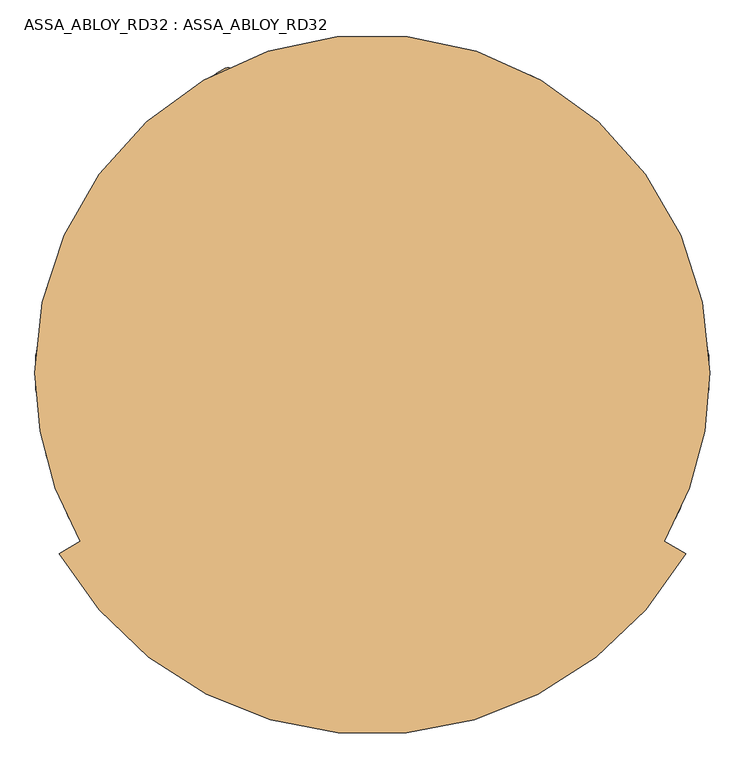
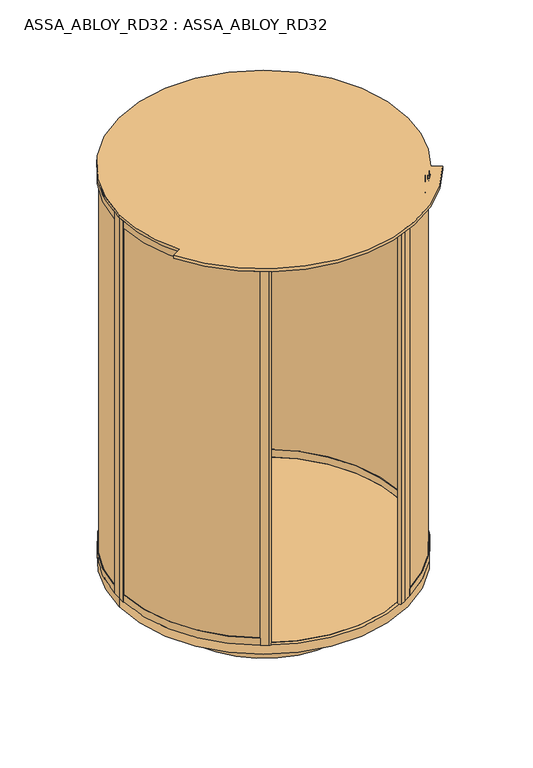
"""IFC4 building model written with IfcOpenShell, lengths in millimetres: door geometry, ASSA_ABLOY_RD32 : ASSA_ABLOY_RD32."""

from ifc_helpers import new_model, si_unit, point, frame, frame_2d, origin, origin_with_axes, place, context, project, spatial, polyline, circle_curve, trimmed, segment, composite_curve, outline, extrude, source, transform, mapped, element, save
from ifc_brep_helpers import plane_surface, cylinder_surface, revolved_surface, advanced_brep


def assa_abloy_rd32_assa_abloy_rd32_fcdae8b2(model_context):
    return source(origin(), model_context, "Body", "SolidModel", [
        extrude(outline(composite_curve([segment(trimmed(circle_curve(frame_2d((125.0, 0.0)), 989.0), [point((619.5, 856.4991243))], [point((1113.4436781, 33.1676829))], False, "CARTESIAN"), True, "CONTINUOUS"), segment(polyline([(1113.4436781, 33.1676829), (1103.4493032, 32.8323171)]), True, "CONTINUOUS"), segment(trimmed(circle_curve(frame_2d((125.0, 0.0)), 979.0), [point((1103.4493032, 32.8323171))], [point((614.5, 847.8388703))], True, "CARTESIAN"), True, "CONTINUOUS"), segment(polyline([(614.5, 847.8388703), (619.5, 856.4991243)]), True, "CONTINUOUS")], self_intersect=False)), frame((0.0, 0.0, 33.0), z_axis=(0.0, 0.0, 1.0), x_axis=(1.0, 0.0, 0.0)), (0.0, 0.0, 1.0), 2715.0),
        extrude(outline(composite_curve([segment(trimmed(circle_curve(frame_2d((125.0, 0.0)), 989.0), [point((1113.4436781, -33.1676829))], [point((619.5, -856.4991243))], False, "CARTESIAN"), True, "CONTINUOUS"), segment(polyline([(619.5, -856.4991243), (614.5, -847.8388703)]), True, "CONTINUOUS"), segment(trimmed(circle_curve(frame_2d((125.0, 0.0)), 979.0), [point((614.5, -847.8388703))], [point((1103.4493032, -32.8323171))], True, "CARTESIAN"), True, "CONTINUOUS"), segment(polyline([(1103.4493032, -32.8323171), (1113.4436781, -33.1676829)]), True, "CONTINUOUS")], self_intersect=False)), frame((0.0, 0.0, 33.0), z_axis=(0.0, 0.0, 1.0), x_axis=(1.0, 0.0, 0.0)), (0.0, 0.0, 1.0), 2715.0),
        extrude(outline(composite_curve([segment(polyline([(621.9998179, -860.828936), (639.320326, -850.828936), (640.8201439, -853.4266969), (586.2605435, -884.9266969), (586.760545, -885.7927249), (560.7781998, -900.7936389)]), True, "CONTINUOUS"), segment(trimmed(circle_curve(frame_2d((553.7783803, -888.669596)), 13.9996389), [point((560.7781998, -900.7936389))], [point((546.7785609, -876.545553))], False, "CARTESIAN"), True, "CONTINUOUS"), segment(polyline([(546.7785609, -876.545553), (572.7609061, -861.544639), (573.2609076, -862.4106671), (627.8205081, -830.9106671), (629.320326, -833.5084279), (611.9998179, -843.5084279), (621.9998179, -860.828936)]), True, "CONTINUOUS")], self_intersect=False)), origin_with_axes(), (0.0, 0.0, 1.0), 2778.0),
        extrude(outline(composite_curve([segment(polyline([(621.9998179, 860.828936), (611.9998179, 843.5084279), (629.320326, 833.5084279), (627.8205081, 830.9106671), (582.7868716, 856.9108492)]), True, "CONTINUOUS"), segment(trimmed(circle_curve(frame_2d((589.2866895, 868.1688641)), 12.9996359), [point((582.7868716, 856.9108492))], [point((595.7865074, 879.426879))], False, "CARTESIAN"), True, "CONTINUOUS"), segment(polyline([(595.7865074, 879.426879), (640.8201439, 853.4266969), (639.320326, 850.828936), (621.9998179, 860.828936)]), True, "CONTINUOUS")], self_intersect=False)), origin_with_axes(), (0.0, 0.0, 1.0), 2778.0),
        advanced_brep(
        [(627.2711247, 831.0022366, 0.0), (627.2711247, 831.0022366, 53.0), (628.8229408, 833.5696998, 53.0), (628.8229408, 833.5696998, 33.0), (639.168381, 850.6861207, 33.0), (639.168381, 850.6861207, 53.0), (640.7201971, 853.2535838, 53.0), (640.7201971, 853.2535838, 0.0), (1094.6270403, 51.6178536, 0.0), (1120.5902772, 53.0, 0.0), (1120.5902772, 53.0, 53.0), (1117.5945191, 52.8405216, 53.0), (1117.5945191, 52.8405216, 33.0), (1097.6227984, 51.777332, 33.0), (1097.6227984, 51.777332, 53.0), (1094.6270403, 51.6178536, 53.0)],
        [
            (0, 1),
            (1, 2),
            (2, 3),
            (3, 4),
            (4, 5),
            (5, 6),
            (6, 7),
            (7, 0),
            (8, 9),
            (9, 10),
            (10, 11),
            (11, 12),
            (12, 13),
            (13, 14),
            (14, 15),
            (15, 8),
            (15, 1, circle_curve(frame((125.0, 0.0, 53.0), z_axis=(0.0, 0.0, 1.0), x_axis=(0.5172720131197738, 0.8558210469736162, 0.0)), 971.0)),
            (0, 8, circle_curve(frame((125.0, 0.0, 0.0), z_axis=(0.0, 0.0, -1.0), x_axis=(0.5172720131197738, 0.8558210469736162, 0.0)), 971.0)),
            (14, 2, circle_curve(frame((125.0, 0.0, 53.0), z_axis=(0.0, 0.0, 1.0), x_axis=(0.5172720131197738, 0.8558210469736162, 0.0)), 974.0)),
            (13, 3, circle_curve(frame((125.0, 0.0, 33.0), z_axis=(0.0, 0.0, 1.0), x_axis=(0.5172720131197738, 0.8558210469736162, 0.0)), 974.0)),
            (12, 4, circle_curve(frame((125.0, 0.0, 33.0), z_axis=(0.0, 0.0, 1.0), x_axis=(0.5172720131197738, 0.8558210469736162, 0.0)), 994.0)),
            (11, 5, circle_curve(frame((125.0, 0.0, 53.0), z_axis=(0.0, 0.0, 1.0), x_axis=(0.5172720131197738, 0.8558210469736162, 0.0)), 994.0)),
            (10, 6, circle_curve(frame((125.0, 0.0, 53.0), z_axis=(0.0, 0.0, 1.0), x_axis=(0.5172720131197738, 0.8558210469736162, 0.0)), 997.0)),
            (9, 7, circle_curve(frame((125.0, 0.0, 0.0), z_axis=(0.0, 0.0, 1.0), x_axis=(0.5172720131197738, 0.8558210469736162, 0.0)), 997.0)),
        ],
        [
            plane_surface(frame((640.7201971, 853.2535838, 0.0), z_axis=(-0.8558210469736162, 0.5172720131197739, 0.0), x_axis=(0.0, 0.0, 1.0))),
            plane_surface(frame((1120.5902772, 53.0, 0.0), z_axis=(0.05315947843547908, -0.9985860352781166, 0.0), x_axis=(0.0, 0.0, 1.0))),
            revolved_surface(polyline([(627.2711247393004, 831.0022366113812, 0.0), (627.2711247393004, 831.0022366113812, 53.0)]), (125.0, 0.0, 0.0), (0.0, 0.0, -1.0)),
            plane_surface(frame((125.0, 0.0, 53.0), z_axis=(0.0, 0.0, 1.0000000000000002), x_axis=(0.5172720131197739, 0.8558210469736163, 0.0))),
            cylinder_surface(frame((125.0, 0.0, 0.0), z_axis=(0.0, 0.0, -1.0), x_axis=(0.5172720131197738, 0.8558210469736162, 0.0)), 974.0),
            plane_surface(frame((125.0, 0.0, 33.0), z_axis=(0.0, 0.0, 1.0000000000000002), x_axis=(0.5172720131197739, 0.8558210469736163, 0.0))),
            revolved_surface(polyline([(639.1683810410551, 850.6861206917745, 33.0), (639.1683810410551, 850.6861206917745, 53.0)]), (125.0, 0.0, 0.0), (0.0, 0.0, -1.0)),
            cylinder_surface(frame((125.0, 0.0, 0.0), z_axis=(0.0, 0.0, -1.0), x_axis=(0.5172720131197738, 0.8558210469736162, 0.0)), 997.0),
            plane_surface(frame((125.0, 0.0, 0.0), z_axis=(0.0, 0.0, -1.0000000000000002), x_axis=(0.5172720131197739, 0.8558210469736163, 0.0))),
        ],
        [
            (0, [[1, 2, 3, 4, 5, 6, 7, 8]]),
            (1, [[9, 10, 11, 12, 13, 14, 15, 16]]),
            (2, [[17, -1, 18, -16]]),
            (3, [[19, -2, -17, -15]]),
            (4, [[20, -3, -19, -14]]),
            (5, [[21, -4, -20, -13]]),
            (6, [[22, -5, -21, -12]]),
            (3, [[23, -6, -22, -11]]),
            (7, [[24, -7, -23, -10]]),
            (8, [[-18, -8, -24, -9]]),
        ],
    ),
        advanced_brep(
        [(1094.6270403, 51.6178536, 2778.0), (1094.6270403, 51.6178536, 2728.0), (1097.6227984, 51.777332, 2728.0), (1097.6227984, 51.777332, 2748.0), (1117.5945191, 52.8405216, 2748.0), (1117.5945191, 52.8405216, 2728.0), (1120.5902772, 53.0, 2728.0), (1120.5902772, 53.0, 2778.0), (627.2711247, 831.0022366, 2778.0), (640.7201971, 853.2535838, 2778.0), (640.7201971, 853.2535838, 2728.0), (639.168381, 850.6861207, 2728.0), (639.168381, 850.6861207, 2748.0), (628.8229408, 833.5696997, 2748.0), (628.8229408, 833.5696997, 2728.0), (627.2711247, 831.0022366, 2728.0)],
        [
            (0, 1),
            (1, 2),
            (2, 3),
            (3, 4),
            (4, 5),
            (5, 6),
            (6, 7),
            (7, 0),
            (8, 9),
            (9, 10),
            (10, 11),
            (11, 12),
            (12, 13),
            (13, 14),
            (14, 15),
            (15, 8),
            (15, 1, circle_curve(frame((125.0, 0.0, 2728.0), z_axis=(0.0, 0.0, -1.0), x_axis=(0.9985860352779897, 0.05315947843786122, 0.0)), 971.0)),
            (0, 8, circle_curve(frame((125.0, 0.0, 2778.0), z_axis=(0.0, 0.0, 1.0), x_axis=(0.9985860352779897, 0.05315947843786122, 0.0)), 971.0)),
            (14, 2, circle_curve(frame((125.0, 0.0, 2728.0), z_axis=(0.0, 0.0, -1.0), x_axis=(0.9985860352779897, 0.05315947843786122, 0.0)), 974.0)),
            (9, 7, circle_curve(frame((125.0, 0.0, 2778.0), z_axis=(0.0, 0.0, -1.0), x_axis=(0.9985860352779897, 0.05315947843786122, 0.0)), 997.0)),
            (6, 10, circle_curve(frame((125.0, 0.0, 2728.0), z_axis=(0.0, 0.0, 1.0), x_axis=(0.9985860352779897, 0.05315947843786122, 0.0)), 997.0)),
            (13, 3, circle_curve(frame((125.0, 0.0, 2748.0), z_axis=(0.0, 0.0, -1.0), x_axis=(0.9985860352779897, 0.05315947843786122, 0.0)), 974.0)),
            (12, 4, circle_curve(frame((125.0, 0.0, 2748.0), z_axis=(0.0, 0.0, -1.0), x_axis=(0.9985860352779897, 0.05315947843786122, 0.0)), 994.0)),
            (11, 5, circle_curve(frame((125.0, 0.0, 2728.0), z_axis=(0.0, 0.0, -1.0), x_axis=(0.9985860352779897, 0.05315947843786122, 0.0)), 994.0)),
        ],
        [
            plane_surface(frame((1120.5902772, 53.0, 2778.0), z_axis=(0.053159478437861236, -0.9985860352779897, 0.0), x_axis=(0.0, 0.0, 1.0))),
            plane_surface(frame((640.7201971, 853.2535838, 2778.0), z_axis=(-0.855821046973346, 0.5172720131202209, 0.0), x_axis=(0.0, 0.0, 1.0))),
            revolved_surface(polyline([(1094.627040254928, 51.617853563163244, 2778.0), (1094.627040254928, 51.617853563163244, 2728.0)]), (125.0, 0.0, 2778.0), (0.0, 0.0, 1.0)),
            plane_surface(frame((125.0, 0.0, 2728.0), z_axis=(0.0, 0.0, -1.0), x_axis=(0.9985860352779897, 0.05315947843786122, 0.0))),
            cylinder_surface(frame((125.0, 0.0, 2778.0), z_axis=(0.0, 0.0, 1.0), x_axis=(0.9985860352779897, 0.05315947843786122, 0.0)), 997.0),
            plane_surface(frame((125.0, 0.0, 2778.0), z_axis=(0.0, 0.0, 1.0), x_axis=(0.9985860352779897, 0.05315947843786122, 0.0))),
            cylinder_surface(frame((125.0, 0.0, 2778.0), z_axis=(0.0, 0.0, 1.0), x_axis=(0.9985860352779897, 0.05315947843786122, 0.0)), 974.0),
            plane_surface(frame((125.0, 0.0, 2748.0), z_axis=(0.0, 0.0, -1.0), x_axis=(0.9985860352779897, 0.05315947843786122, 0.0))),
            revolved_surface(polyline([(1117.594519066322, 52.840521567234056, 2748.0), (1117.594519066322, 52.840521567234056, 2728.0)]), (125.0, 0.0, 2778.0), (0.0, 0.0, 1.0)),
        ],
        [
            (0, [[1, 2, 3, 4, 5, 6, 7, 8]]),
            (1, [[9, 10, 11, 12, 13, 14, 15, 16]]),
            (2, [[17, -1, 18, -16]]),
            (3, [[19, -2, -17, -15]]),
            (4, [[20, -7, 21, -10]]),
            (5, [[-18, -8, -20, -9]]),
            (6, [[22, -3, -19, -14]]),
            (7, [[23, -4, -22, -13]]),
            (8, [[24, -5, -23, -12]]),
            (3, [[-21, -6, -24, -11]]),
        ],
    ),
        extrude(outline(polyline([(1122.0, 0.0), (1096.0, 0.0), (1096.0, 53.0), (1099.0, 53.0), (1099.0, 33.0), (1119.0, 33.0), (1119.0, 53.0), (1122.0, 53.0), (1122.0, 0.0)])), origin_with_axes(), (0.0, 0.0, 1.0), 2778.0),
        advanced_brep(
        [(627.2711247, -831.0022366, 0.0), (640.7201971, -853.2535838, 0.0), (640.7201971, -853.2535838, 53.0), (639.168381, -850.6861207, 53.0), (639.168381, -850.6861207, 33.0), (628.8229408, -833.5696998, 33.0), (628.8229408, -833.5696998, 53.0), (627.2711247, -831.0022366, 53.0), (1094.6270403, -51.6178536, 0.0), (1094.6270403, -51.6178536, 53.0), (1097.6227984, -51.777332, 53.0), (1097.6227984, -51.777332, 33.0), (1117.5945191, -52.8405216, 33.0), (1117.5945191, -52.8405216, 53.0), (1120.5902772, -53.0, 53.0), (1120.5902772, -53.0, 0.0)],
        [
            (0, 1),
            (1, 2),
            (2, 3),
            (3, 4),
            (4, 5),
            (5, 6),
            (6, 7),
            (7, 0),
            (8, 9),
            (9, 10),
            (10, 11),
            (11, 12),
            (12, 13),
            (13, 14),
            (14, 15),
            (15, 8),
            (8, 0, circle_curve(frame((125.0, 0.0, 0.0), z_axis=(0.0, 0.0, -1.0), x_axis=(0.5172720131195371, -0.8558210469737593, 0.0)), 971.0)),
            (7, 9, circle_curve(frame((125.0, 0.0, 53.0), z_axis=(0.0, 0.0, 1.0), x_axis=(0.5172720131195371, -0.8558210469737593, 0.0)), 971.0)),
            (6, 10, circle_curve(frame((125.0, 0.0, 53.0), z_axis=(0.0, 0.0, 1.0), x_axis=(0.5172720131195371, -0.8558210469737593, 0.0)), 974.0)),
            (5, 11, circle_curve(frame((125.0, 0.0, 33.0), z_axis=(0.0, 0.0, 1.0), x_axis=(0.5172720131195371, -0.8558210469737593, 0.0)), 974.0)),
            (4, 12, circle_curve(frame((125.0, 0.0, 33.0), z_axis=(0.0, 0.0, 1.0), x_axis=(0.5172720131195371, -0.8558210469737593, 0.0)), 994.0)),
            (3, 13, circle_curve(frame((125.0, 0.0, 53.0), z_axis=(0.0, 0.0, 1.0), x_axis=(0.5172720131195371, -0.8558210469737593, 0.0)), 994.0)),
            (2, 14, circle_curve(frame((125.0, 0.0, 53.0), z_axis=(0.0, 0.0, 1.0), x_axis=(0.5172720131195371, -0.8558210469737593, 0.0)), 997.0)),
            (1, 15, circle_curve(frame((125.0, 0.0, 0.0), z_axis=(0.0, 0.0, 1.0), x_axis=(0.5172720131195371, -0.8558210469737593, 0.0)), 997.0)),
        ],
        [
            plane_surface(frame((640.7201971, -853.2535838, 0.0), z_axis=(-0.8558210469737594, -0.5172720131195372, 0.0), x_axis=(0.0, 0.0, 1.0))),
            plane_surface(frame((1120.5902772, -53.0, 0.0), z_axis=(0.053159478435714, 0.9985860352781041, 0.0), x_axis=(0.0, 0.0, 1.0))),
            revolved_surface(polyline([(627.2711247390705, -831.0022366115203, 53.0), (627.2711247390705, -831.0022366115203, 0.0)]), (125.0, 0.0, 0.0), (0.0, 0.0, 1.0)),
            plane_surface(frame((125.0, 0.0, 53.0), z_axis=(0.0, 0.0, 1.0), x_axis=(0.5172720131195371, -0.8558210469737593, 0.0))),
            cylinder_surface(frame((125.0, 0.0, 0.0), z_axis=(0.0, 0.0, 1.0), x_axis=(0.5172720131195371, -0.8558210469737593, 0.0)), 974.0),
            plane_surface(frame((125.0, 0.0, 33.0), z_axis=(0.0, 0.0, 1.0), x_axis=(0.5172720131195371, -0.8558210469737593, 0.0))),
            revolved_surface(polyline([(639.1683810408199, -850.6861206919167, 53.0), (639.1683810408199, -850.6861206919167, 33.0)]), (125.0, 0.0, 0.0), (0.0, 0.0, 1.0)),
            cylinder_surface(frame((125.0, 0.0, 0.0), z_axis=(0.0, 0.0, 1.0), x_axis=(0.5172720131195371, -0.8558210469737593, 0.0)), 997.0),
            plane_surface(frame((125.0, 0.0, 0.0), z_axis=(0.0, 0.0, -1.0), x_axis=(0.5172720131195371, -0.8558210469737593, 0.0))),
        ],
        [
            (0, [[1, 2, 3, 4, 5, 6, 7, 8]]),
            (1, [[9, 10, 11, 12, 13, 14, 15, 16]]),
            (2, [[17, -8, 18, -9]]),
            (3, [[-18, -7, 19, -10]]),
            (4, [[-19, -6, 20, -11]]),
            (5, [[-20, -5, 21, -12]]),
            (6, [[-21, -4, 22, -13]]),
            (3, [[-22, -3, 23, -14]]),
            (7, [[-23, -2, 24, -15]]),
            (8, [[-24, -1, -17, -16]]),
        ],
    ),
        advanced_brep(
        [(1094.6270403, -51.6178536, 2778.0), (1120.5902772, -53.0, 2778.0), (1120.5902772, -53.0, 2728.0), (1117.5945191, -52.8405216, 2728.0), (1117.5945191, -52.8405216, 2748.0), (1097.6227984, -51.777332, 2748.0), (1097.6227984, -51.777332, 2728.0), (1094.6270403, -51.6178536, 2728.0), (627.2711247, -831.0022366, 2778.0), (627.2711247, -831.0022366, 2728.0), (628.8229408, -833.5696998, 2728.0), (628.8229408, -833.5696998, 2748.0), (639.168381, -850.6861207, 2748.0), (639.168381, -850.6861207, 2728.0), (640.7201971, -853.2535838, 2728.0), (640.7201971, -853.2535838, 2778.0)],
        [
            (0, 1),
            (1, 2),
            (2, 3),
            (3, 4),
            (4, 5),
            (5, 6),
            (6, 7),
            (7, 0),
            (8, 9),
            (9, 10),
            (10, 11),
            (11, 12),
            (12, 13),
            (13, 14),
            (14, 15),
            (15, 8),
            (8, 0, circle_curve(frame((125.0, 0.0, 2778.0), z_axis=(0.0, 0.0, 1.0), x_axis=(0.998586035278285, -0.05315947843231441, 0.0)), 971.0)),
            (7, 9, circle_curve(frame((125.0, 0.0, 2728.0), z_axis=(0.0, 0.0, -1.0), x_axis=(0.998586035278285, -0.05315947843231441, 0.0)), 971.0)),
            (6, 10, circle_curve(frame((125.0, 0.0, 2728.0), z_axis=(0.0, 0.0, -1.0), x_axis=(0.998586035278285, -0.05315947843231441, 0.0)), 974.0)),
            (14, 2, circle_curve(frame((125.0, 0.0, 2728.0), z_axis=(0.0, 0.0, 1.0), x_axis=(0.998586035278285, -0.05315947843231441, 0.0)), 997.0)),
            (1, 15, circle_curve(frame((125.0, 0.0, 2778.0), z_axis=(0.0, 0.0, -1.0), x_axis=(0.998586035278285, -0.05315947843231441, 0.0)), 997.0)),
            (5, 11, circle_curve(frame((125.0, 0.0, 2748.0), z_axis=(0.0, 0.0, -1.0), x_axis=(0.998586035278285, -0.05315947843231441, 0.0)), 974.0)),
            (4, 12, circle_curve(frame((125.0, 0.0, 2748.0), z_axis=(0.0, 0.0, -1.0), x_axis=(0.998586035278285, -0.05315947843231441, 0.0)), 994.0)),
            (3, 13, circle_curve(frame((125.0, 0.0, 2728.0), z_axis=(0.0, 0.0, -1.0), x_axis=(0.998586035278285, -0.05315947843231441, 0.0)), 994.0)),
        ],
        [
            plane_surface(frame((1120.5902772, -53.0, 2778.0), z_axis=(0.053159478432314444, 0.998586035278285, 0.0), x_axis=(0.0, 0.0, 1.0))),
            plane_surface(frame((640.7201971, -853.2535838, 2778.0), z_axis=(-0.8558210469721426, -0.517272013122212, 0.0), x_axis=(0.0, 0.0, 1.0))),
            revolved_surface(polyline([(1094.6270402552148, -51.617853557777295, 2728.0), (1094.6270402552148, -51.617853557777295, 2778.0)]), (125.0, 0.0, 2778.0), (0.0, 0.0, -1.0)),
            plane_surface(frame((125.0, 0.0, 2728.0), z_axis=(0.0, 0.0, -1.0), x_axis=(0.998586035278285, -0.05315947843231441, 0.0))),
            cylinder_surface(frame((125.0, 0.0, 2778.0), z_axis=(0.0, 0.0, -1.0), x_axis=(0.998586035278285, -0.05315947843231441, 0.0)), 997.0),
            plane_surface(frame((125.0, 0.0, 2778.0), z_axis=(0.0, 0.0, 1.0), x_axis=(0.998586035278285, -0.05315947843231441, 0.0))),
            cylinder_surface(frame((125.0, 0.0, 2778.0), z_axis=(0.0, 0.0, -1.0), x_axis=(0.998586035278285, -0.05315947843231441, 0.0)), 974.0),
            plane_surface(frame((125.0, 0.0, 2748.0), z_axis=(0.0, 0.0, -1.0), x_axis=(0.998586035278285, -0.05315947843231441, 0.0))),
            revolved_surface(polyline([(1117.5945190666152, -52.84052156172052, 2728.0), (1117.5945190666152, -52.84052156172052, 2748.0)]), (125.0, 0.0, 2778.0), (0.0, 0.0, -1.0)),
        ],
        [
            (0, [[1, 2, 3, 4, 5, 6, 7, 8]]),
            (1, [[9, 10, 11, 12, 13, 14, 15, 16]]),
            (2, [[17, -8, 18, -9]]),
            (3, [[-18, -7, 19, -10]]),
            (4, [[20, -2, 21, -15]]),
            (5, [[-21, -1, -17, -16]]),
            (6, [[-19, -6, 22, -11]]),
            (7, [[-22, -5, 23, -12]]),
            (8, [[-23, -4, 24, -13]]),
            (3, [[-24, -3, -20, -14]]),
        ],
    ),
        extrude(outline(polyline([(1122.0, 0.0), (1122.0, -53.0), (1119.0, -53.0), (1119.0, -33.0), (1099.0, -33.0), (1099.0, -53.0), (1096.0, -53.0), (1096.0, 0.0), (1122.0, 0.0)])), origin_with_axes(), (0.0, 0.0, 1.0), 2778.0),
        extrude(outline(composite_curve([segment(trimmed(circle_curve(frame_2d((125.0, 0.0)), 979.0), [point((-364.5, 847.8388703))], [point((-854.0, 0.0))], True, "CARTESIAN"), True, "CONTINUOUS"), segment(polyline([(-854.0, 0.0), (-864.0, 0.0)]), True, "CONTINUOUS"), segment(trimmed(circle_curve(frame_2d((125.0, 0.0)), 989.0), [point((-864.0, 0.0))], [point((-369.5, 856.4991243))], False, "CARTESIAN"), True, "CONTINUOUS"), segment(polyline([(-369.5, 856.4991243), (-364.5, 847.8388703)]), True, "CONTINUOUS")], self_intersect=False)), frame((0.0, 0.0, 33.0), z_axis=(0.0, 0.0, 1.0), x_axis=(1.0, 0.0, 0.0)), (0.0, 0.0, 1.0), 2715.0),
        advanced_brep(
        [(-377.2711247, 831.0022366, 0.0), (-390.7201971, 853.2535838, 0.0), (-390.7201971, 853.2535838, 53.0), (-389.168381, 850.6861207, 53.0), (-389.168381, 850.6861207, 33.0), (-378.8229408, 833.5696998, 33.0), (-378.8229408, 833.5696998, 53.0), (-377.2711247, 831.0022366, 53.0), (-844.6270403, 51.6178536, 0.0), (-844.6270403, 51.6178536, 53.0), (-847.6227984, 51.777332, 53.0), (-847.6227984, 51.777332, 33.0), (-867.5945191, 52.8405216, 33.0), (-867.5945191, 52.8405216, 53.0), (-870.5902772, 53.0, 53.0), (-870.5902772, 53.0, 0.0)],
        [
            (0, 1),
            (1, 2),
            (2, 3),
            (3, 4),
            (4, 5),
            (5, 6),
            (6, 7),
            (7, 0),
            (8, 9),
            (9, 10),
            (10, 11),
            (11, 12),
            (12, 13),
            (13, 14),
            (14, 15),
            (15, 8),
            (8, 0, circle_curve(frame((125.0, 0.0, 0.0), z_axis=(0.0, 0.0, -1.0), x_axis=(-0.5172720131199363, 0.8558210469735179, 0.0)), 971.0)),
            (7, 9, circle_curve(frame((125.0, 0.0, 53.0), z_axis=(0.0, 0.0, 1.0), x_axis=(-0.5172720131199363, 0.8558210469735179, 0.0)), 971.0)),
            (6, 10, circle_curve(frame((125.0, 0.0, 53.0), z_axis=(0.0, 0.0, 1.0), x_axis=(-0.5172720131199363, 0.8558210469735179, 0.0)), 974.0)),
            (5, 11, circle_curve(frame((125.0, 0.0, 33.0), z_axis=(0.0, 0.0, 1.0), x_axis=(-0.5172720131199363, 0.8558210469735179, 0.0)), 974.0)),
            (4, 12, circle_curve(frame((125.0, 0.0, 33.0), z_axis=(0.0, 0.0, 1.0), x_axis=(-0.5172720131199363, 0.8558210469735179, 0.0)), 994.0)),
            (3, 13, circle_curve(frame((125.0, 0.0, 53.0), z_axis=(0.0, 0.0, 1.0), x_axis=(-0.5172720131199363, 0.8558210469735179, 0.0)), 994.0)),
            (2, 14, circle_curve(frame((125.0, 0.0, 53.0), z_axis=(0.0, 0.0, 1.0), x_axis=(-0.5172720131199363, 0.8558210469735179, 0.0)), 997.0)),
            (1, 15, circle_curve(frame((125.0, 0.0, 0.0), z_axis=(0.0, 0.0, 1.0), x_axis=(-0.5172720131199363, 0.8558210469735179, 0.0)), 997.0)),
        ],
        [
            plane_surface(frame((-390.7201971, 853.2535838, 0.0), z_axis=(0.855821046973518, 0.5172720131199363, 0.0), x_axis=(0.0, 0.0, 1.0))),
            plane_surface(frame((-870.5902772, 53.0, 0.0), z_axis=(-0.0531594784350477, -0.9985860352781395, 0.0), x_axis=(0.0, 0.0, 1.0))),
            revolved_surface(polyline([(-377.2711247394582, 831.0022366112859, 53.0), (-377.2711247394582, 831.0022366112859, 0.0)]), (125.0, 0.0, 0.0), (0.0, 0.0, 1.0)),
            plane_surface(frame((125.0, 0.0, 53.0), z_axis=(0.0, 0.0, 1.0000000000000002), x_axis=(-0.5172720131199364, 0.855821046973518, 0.0))),
            cylinder_surface(frame((125.0, 0.0, 0.0), z_axis=(0.0, 0.0, 1.0), x_axis=(-0.5172720131199363, 0.8558210469735179, 0.0)), 974.0),
            plane_surface(frame((125.0, 0.0, 33.0), z_axis=(0.0, 0.0, 1.0000000000000002), x_axis=(-0.5172720131199364, 0.855821046973518, 0.0))),
            revolved_surface(polyline([(-389.16838104121666, 850.6861206916768, 53.0), (-389.16838104121666, 850.6861206916768, 33.0)]), (125.0, 0.0, 0.0), (0.0, 0.0, 1.0)),
            cylinder_surface(frame((125.0, 0.0, 0.0), z_axis=(0.0, 0.0, 1.0), x_axis=(-0.5172720131199363, 0.8558210469735179, 0.0)), 997.0),
            plane_surface(frame((125.0, 0.0, 0.0), z_axis=(0.0, 0.0, -1.0000000000000002), x_axis=(-0.5172720131199364, 0.855821046973518, 0.0))),
        ],
        [
            (0, [[1, 2, 3, 4, 5, 6, 7, 8]]),
            (1, [[9, 10, 11, 12, 13, 14, 15, 16]]),
            (2, [[17, -8, 18, -9]]),
            (3, [[-18, -7, 19, -10]]),
            (4, [[-19, -6, 20, -11]]),
            (5, [[-20, -5, 21, -12]]),
            (6, [[-21, -4, 22, -13]]),
            (3, [[-22, -3, 23, -14]]),
            (7, [[-23, -2, 24, -15]]),
            (8, [[-24, -1, -17, -16]]),
        ],
    ),
        advanced_brep(
        [(-844.6270403, 51.6178536, 2778.0), (-870.5902772, 53.0, 2778.0), (-870.5902772, 53.0, 2728.0), (-867.5945191, 52.8405216, 2728.0), (-867.5945191, 52.8405216, 2748.0), (-847.6227984, 51.777332, 2748.0), (-847.6227984, 51.777332, 2728.0), (-844.6270403, 51.6178536, 2728.0), (-377.2711247, 831.0022366, 2778.0), (-377.2711247, 831.0022366, 2728.0), (-378.8229408, 833.5696998, 2728.0), (-378.8229408, 833.5696998, 2748.0), (-389.168381, 850.6861207, 2748.0), (-389.168381, 850.6861207, 2728.0), (-390.7201971, 853.2535838, 2728.0), (-390.7201971, 853.2535838, 2778.0)],
        [
            (0, 1),
            (1, 2),
            (2, 3),
            (3, 4),
            (4, 5),
            (5, 6),
            (6, 7),
            (7, 0),
            (8, 9),
            (9, 10),
            (10, 11),
            (11, 12),
            (12, 13),
            (13, 14),
            (14, 15),
            (15, 8),
            (8, 0, circle_curve(frame((125.0, 0.0, 2778.0), z_axis=(0.0, 0.0, 1.0), x_axis=(-0.9985860352779593, 0.053159478438433744, 0.0)), 971.0)),
            (7, 9, circle_curve(frame((125.0, 0.0, 2728.0), z_axis=(0.0, 0.0, -1.0), x_axis=(-0.9985860352779593, 0.053159478438433744, 0.0)), 971.0)),
            (6, 10, circle_curve(frame((125.0, 0.0, 2728.0), z_axis=(0.0, 0.0, -1.0), x_axis=(-0.9985860352779593, 0.053159478438433744, 0.0)), 974.0)),
            (14, 2, circle_curve(frame((125.0, 0.0, 2728.0), z_axis=(0.0, 0.0, 1.0), x_axis=(-0.9985860352779593, 0.053159478438433744, 0.0)), 997.0)),
            (1, 15, circle_curve(frame((125.0, 0.0, 2778.0), z_axis=(0.0, 0.0, -1.0), x_axis=(-0.9985860352779593, 0.053159478438433744, 0.0)), 997.0)),
            (5, 11, circle_curve(frame((125.0, 0.0, 2748.0), z_axis=(0.0, 0.0, -1.0), x_axis=(-0.9985860352779593, 0.053159478438433744, 0.0)), 974.0)),
            (4, 12, circle_curve(frame((125.0, 0.0, 2748.0), z_axis=(0.0, 0.0, -1.0), x_axis=(-0.9985860352779593, 0.053159478438433744, 0.0)), 994.0)),
            (3, 13, circle_curve(frame((125.0, 0.0, 2728.0), z_axis=(0.0, 0.0, -1.0), x_axis=(-0.9985860352779593, 0.053159478438433744, 0.0)), 994.0)),
        ],
        [
            plane_surface(frame((-870.5902772, 53.0, 2778.0), z_axis=(-0.05315947843843367, -0.9985860352779593, 0.0), x_axis=(0.0, 0.0, 1.0))),
            plane_surface(frame((-390.7201971, 853.2535838, 2778.0), z_axis=(0.855821046975163, 0.5172720131172146, 0.0), x_axis=(0.0, 0.0, 1.0))),
            revolved_surface(polyline([(-844.6270402548985, 51.617853563719166, 2728.0), (-844.6270402548985, 51.617853563719166, 2778.0)]), (125.0, 0.0, 2778.0), (0.0, 0.0, -1.0)),
            plane_surface(frame((125.0, 0.0, 2728.0), z_axis=(0.0, 0.0, -1.0), x_axis=(-0.9985860352779593, 0.053159478438433744, 0.0))),
            cylinder_surface(frame((125.0, 0.0, 2778.0), z_axis=(0.0, 0.0, -1.0), x_axis=(-0.9985860352779593, 0.053159478438433744, 0.0)), 997.0),
            plane_surface(frame((125.0, 0.0, 2778.0), z_axis=(0.0, 0.0, 1.0), x_axis=(-0.9985860352779593, 0.053159478438433744, 0.0))),
            cylinder_surface(frame((125.0, 0.0, 2778.0), z_axis=(0.0, 0.0, -1.0), x_axis=(-0.9985860352779593, 0.053159478438433744, 0.0)), 974.0),
            plane_surface(frame((125.0, 0.0, 2748.0), z_axis=(0.0, 0.0, -1.0), x_axis=(-0.9985860352779593, 0.053159478438433744, 0.0))),
            revolved_surface(polyline([(-867.5945190662916, 52.840521567803144, 2728.0), (-867.5945190662916, 52.840521567803144, 2748.0)]), (125.0, 0.0, 2778.0), (0.0, 0.0, -1.0)),
        ],
        [
            (0, [[1, 2, 3, 4, 5, 6, 7, 8]]),
            (1, [[9, 10, 11, 12, 13, 14, 15, 16]]),
            (2, [[17, -8, 18, -9]]),
            (3, [[-18, -7, 19, -10]]),
            (4, [[20, -2, 21, -15]]),
            (5, [[-21, -1, -17, -16]]),
            (6, [[-19, -6, 22, -11]]),
            (7, [[-22, -5, 23, -12]]),
            (8, [[-23, -4, 24, -13]]),
            (3, [[-24, -3, -20, -14]]),
        ],
    ),
        extrude(outline(composite_curve([segment(polyline([(-371.9998179, 860.828936), (-389.320326, 850.828936), (-390.8201439, 853.4266969), (-336.2605435, 884.9266969), (-336.760545, 885.7927249), (-310.7781998, 900.7936389)]), True, "CONTINUOUS"), segment(trimmed(circle_curve(frame_2d((-303.7783803, 888.669596)), 13.9996389), [point((-310.7781998, 900.7936389))], [point((-296.7785609, 876.545553))], False, "CARTESIAN"), True, "CONTINUOUS"), segment(polyline([(-296.7785609, 876.545553), (-322.7609061, 861.544639), (-323.2609076, 862.4106671), (-377.8205081, 830.9106671), (-379.320326, 833.5084279), (-361.9998179, 843.5084279), (-371.9998179, 860.828936)]), True, "CONTINUOUS")], self_intersect=False)), origin_with_axes(), (0.0, 0.0, 1.0), 2778.0),
        extrude(outline(polyline([(-872.0, 0.0), (-872.0, 53.0), (-869.0, 53.0), (-869.0, 33.0), (-849.0, 33.0), (-849.0, 53.0), (-846.0, 53.0), (-846.0, 0.0), (-872.0, 0.0)])), origin_with_axes(), (0.0, 0.0, 1.0), 2778.0),
        extrude(outline(composite_curve([segment(trimmed(circle_curve(frame_2d((125.0, 0.0)), 989.0), [point((-369.5, -856.4991243))], [point((-863.4436781, -33.1676829))], False, "CARTESIAN"), True, "CONTINUOUS"), segment(polyline([(-863.4436781, -33.1676829), (-853.4493032, -32.8323171)]), True, "CONTINUOUS"), segment(trimmed(circle_curve(frame_2d((125.0, 0.0)), 979.0), [point((-853.4493032, -32.8323171))], [point((-364.5, -847.8388703))], True, "CARTESIAN"), True, "CONTINUOUS"), segment(polyline([(-364.5, -847.8388703), (-369.5, -856.4991243)]), True, "CONTINUOUS")], self_intersect=False)), frame((0.0, 0.0, 33.0), z_axis=(0.0, 0.0, 1.0), x_axis=(1.0, 0.0, 0.0)), (0.0, 0.0, 1.0), 2715.0),
        advanced_brep(
        [(-377.2711247, -831.0022366, 0.0), (-377.2711247, -831.0022366, 53.0), (-378.8229408, -833.5696998, 53.0), (-378.8229408, -833.5696998, 33.0), (-389.168381, -850.6861207, 33.0), (-389.168381, -850.6861207, 53.0), (-390.7201971, -853.2535838, 53.0), (-390.7201971, -853.2535838, 0.0), (-844.6270403, -51.6178536, 0.0), (-870.5902772, -53.0, 0.0), (-870.5902772, -53.0, 53.0), (-867.5945191, -52.8405216, 53.0), (-867.5945191, -52.8405216, 33.0), (-847.6227984, -51.777332, 33.0), (-847.6227984, -51.777332, 53.0), (-844.6270403, -51.6178536, 53.0)],
        [
            (0, 1),
            (1, 2),
            (2, 3),
            (3, 4),
            (4, 5),
            (5, 6),
            (6, 7),
            (7, 0),
            (8, 9),
            (9, 10),
            (10, 11),
            (11, 12),
            (12, 13),
            (13, 14),
            (14, 15),
            (15, 8),
            (15, 1, circle_curve(frame((125.0, 0.0, 53.0), z_axis=(0.0, 0.0, 1.0), x_axis=(-0.5172720131195626, -0.8558210469737438, 0.0)), 971.0)),
            (0, 8, circle_curve(frame((125.0, 0.0, 0.0), z_axis=(0.0, 0.0, -1.0), x_axis=(-0.5172720131195626, -0.8558210469737438, 0.0)), 971.0)),
            (14, 2, circle_curve(frame((125.0, 0.0, 53.0), z_axis=(0.0, 0.0, 1.0), x_axis=(-0.5172720131195626, -0.8558210469737438, 0.0)), 974.0)),
            (13, 3, circle_curve(frame((125.0, 0.0, 33.0), z_axis=(0.0, 0.0, 1.0), x_axis=(-0.5172720131195626, -0.8558210469737438, 0.0)), 974.0)),
            (12, 4, circle_curve(frame((125.0, 0.0, 33.0), z_axis=(0.0, 0.0, 1.0), x_axis=(-0.5172720131195626, -0.8558210469737438, 0.0)), 994.0)),
            (11, 5, circle_curve(frame((125.0, 0.0, 53.0), z_axis=(0.0, 0.0, 1.0), x_axis=(-0.5172720131195626, -0.8558210469737438, 0.0)), 994.0)),
            (10, 6, circle_curve(frame((125.0, 0.0, 53.0), z_axis=(0.0, 0.0, 1.0), x_axis=(-0.5172720131195626, -0.8558210469737438, 0.0)), 997.0)),
            (9, 7, circle_curve(frame((125.0, 0.0, 0.0), z_axis=(0.0, 0.0, 1.0), x_axis=(-0.5172720131195626, -0.8558210469737438, 0.0)), 997.0)),
        ],
        [
            plane_surface(frame((-390.7201971, -853.2535838, 0.0), z_axis=(0.8558210469737437, -0.5172720131195627, 0.0), x_axis=(0.0, 0.0, 1.0))),
            plane_surface(frame((-870.5902772, -53.0, 0.0), z_axis=(-0.05315947843606917, 0.9985860352780852, 0.0), x_axis=(0.0, 0.0, 1.0))),
            revolved_surface(polyline([(-377.2711247390953, -831.0022366115053, 0.0), (-377.2711247390953, -831.0022366115053, 53.0)]), (125.0, 0.0, 0.0), (0.0, 0.0, -1.0)),
            plane_surface(frame((125.0, 0.0, 53.0), z_axis=(0.0, 0.0, 1.0), x_axis=(-0.5172720131195626, -0.8558210469737438, 0.0))),
            cylinder_surface(frame((125.0, 0.0, 0.0), z_axis=(0.0, 0.0, -1.0), x_axis=(-0.5172720131195626, -0.8558210469737438, 0.0)), 974.0),
            plane_surface(frame((125.0, 0.0, 33.0), z_axis=(0.0, 0.0, 1.0), x_axis=(-0.5172720131195626, -0.8558210469737438, 0.0))),
            revolved_surface(polyline([(-389.16838104084525, -850.6861206919014, 33.0), (-389.16838104084525, -850.6861206919014, 53.0)]), (125.0, 0.0, 0.0), (0.0, 0.0, -1.0)),
            cylinder_surface(frame((125.0, 0.0, 0.0), z_axis=(0.0, 0.0, -1.0), x_axis=(-0.5172720131195626, -0.8558210469737438, 0.0)), 997.0),
            plane_surface(frame((125.0, 0.0, 0.0), z_axis=(0.0, 0.0, -1.0), x_axis=(-0.5172720131195626, -0.8558210469737438, 0.0))),
        ],
        [
            (0, [[1, 2, 3, 4, 5, 6, 7, 8]]),
            (1, [[9, 10, 11, 12, 13, 14, 15, 16]]),
            (2, [[17, -1, 18, -16]]),
            (3, [[19, -2, -17, -15]]),
            (4, [[20, -3, -19, -14]]),
            (5, [[21, -4, -20, -13]]),
            (6, [[22, -5, -21, -12]]),
            (3, [[23, -6, -22, -11]]),
            (7, [[24, -7, -23, -10]]),
            (8, [[-18, -8, -24, -9]]),
        ],
    ),
        advanced_brep(
        [(-844.6270403, -51.6178536, 2778.0), (-844.6270403, -51.6178536, 2728.0), (-847.6227984, -51.777332, 2728.0), (-847.6227984, -51.777332, 2748.0), (-867.5945191, -52.8405216, 2748.0), (-867.5945191, -52.8405216, 2728.0), (-870.5902772, -53.0, 2728.0), (-870.5902772, -53.0, 2778.0), (-377.2711247, -831.0022366, 2778.0), (-390.7201971, -853.2535838, 2778.0), (-390.7201971, -853.2535838, 2728.0), (-389.168381, -850.6861207, 2728.0), (-389.168381, -850.6861207, 2748.0), (-378.8229408, -833.5696998, 2748.0), (-378.8229408, -833.5696998, 2728.0), (-377.2711247, -831.0022366, 2728.0)],
        [
            (0, 1),
            (1, 2),
            (2, 3),
            (3, 4),
            (4, 5),
            (5, 6),
            (6, 7),
            (7, 0),
            (8, 9),
            (9, 10),
            (10, 11),
            (11, 12),
            (12, 13),
            (13, 14),
            (14, 15),
            (15, 8),
            (15, 1, circle_curve(frame((125.0, 0.0, 2728.0), z_axis=(0.0, 0.0, -1.0), x_axis=(-0.9985860352782294, -0.05315947843335961, 0.0)), 971.0)),
            (0, 8, circle_curve(frame((125.0, 0.0, 2778.0), z_axis=(0.0, 0.0, 1.0), x_axis=(-0.9985860352782294, -0.05315947843335961, 0.0)), 971.0)),
            (14, 2, circle_curve(frame((125.0, 0.0, 2728.0), z_axis=(0.0, 0.0, -1.0), x_axis=(-0.9985860352782294, -0.05315947843335961, 0.0)), 974.0)),
            (9, 7, circle_curve(frame((125.0, 0.0, 2778.0), z_axis=(0.0, 0.0, -1.0), x_axis=(-0.9985860352782294, -0.05315947843335961, 0.0)), 997.0)),
            (6, 10, circle_curve(frame((125.0, 0.0, 2728.0), z_axis=(0.0, 0.0, 1.0), x_axis=(-0.9985860352782294, -0.05315947843335961, 0.0)), 997.0)),
            (13, 3, circle_curve(frame((125.0, 0.0, 2748.0), z_axis=(0.0, 0.0, -1.0), x_axis=(-0.9985860352782294, -0.05315947843335961, 0.0)), 974.0)),
            (12, 4, circle_curve(frame((125.0, 0.0, 2748.0), z_axis=(0.0, 0.0, -1.0), x_axis=(-0.9985860352782294, -0.05315947843335961, 0.0)), 994.0)),
            (11, 5, circle_curve(frame((125.0, 0.0, 2728.0), z_axis=(0.0, 0.0, -1.0), x_axis=(-0.9985860352782294, -0.05315947843335961, 0.0)), 994.0)),
        ],
        [
            plane_surface(frame((-870.5902772, -53.0, 2778.0), z_axis=(-0.05315947843335955, 0.9985860352782294, 0.0), x_axis=(0.0, 0.0, 1.0))),
            plane_surface(frame((-390.7201971, -853.2535838, 2778.0), z_axis=(0.8558210469739, -0.5172720131193043, 0.0), x_axis=(0.0, 0.0, 1.0))),
            revolved_surface(polyline([(-844.6270402551608, -51.61785355879218, 2778.0), (-844.6270402551608, -51.61785355879218, 2728.0)]), (125.0, 0.0, 2778.0), (0.0, 0.0, 1.0)),
            plane_surface(frame((125.0, 0.0, 2728.0), z_axis=(0.0, 0.0, -1.0000000000000002), x_axis=(-0.9985860352782294, -0.05315947843335961, 0.0))),
            cylinder_surface(frame((125.0, 0.0, 2778.0), z_axis=(0.0, 0.0, 1.0), x_axis=(-0.9985860352782294, -0.05315947843335961, 0.0)), 997.0),
            plane_surface(frame((125.0, 0.0, 2778.0), z_axis=(0.0, 0.0, 1.0000000000000002), x_axis=(-0.9985860352782294, -0.05315947843335961, 0.0))),
            cylinder_surface(frame((125.0, 0.0, 2778.0), z_axis=(0.0, 0.0, 1.0), x_axis=(-0.9985860352782294, -0.05315947843335961, 0.0)), 974.0),
            plane_surface(frame((125.0, 0.0, 2748.0), z_axis=(0.0, 0.0, -1.0000000000000002), x_axis=(-0.9985860352782294, -0.05315947843335961, 0.0))),
            revolved_surface(polyline([(-867.59451906656, -52.84052156275945, 2748.0), (-867.59451906656, -52.84052156275945, 2728.0)]), (125.0, 0.0, 2778.0), (0.0, 0.0, 1.0)),
        ],
        [
            (0, [[1, 2, 3, 4, 5, 6, 7, 8]]),
            (1, [[9, 10, 11, 12, 13, 14, 15, 16]]),
            (2, [[17, -1, 18, -16]]),
            (3, [[19, -2, -17, -15]]),
            (4, [[20, -7, 21, -10]]),
            (5, [[-18, -8, -20, -9]]),
            (6, [[22, -3, -19, -14]]),
            (7, [[23, -4, -22, -13]]),
            (8, [[24, -5, -23, -12]]),
            (3, [[-21, -6, -24, -11]]),
        ],
    ),
        extrude(outline(composite_curve([segment(polyline([(-371.9998179, -860.828936), (-361.9998179, -843.5084279), (-379.320326, -833.5084279), (-377.8205081, -830.9106671), (-332.7868721, -856.9108489)]), True, "CONTINUOUS"), segment(trimmed(circle_curve(frame_2d((-339.2866897, -868.168864)), 12.9996359), [point((-332.7868721, -856.9108489))], [point((-345.7865077, -879.4268789))], False, "CARTESIAN"), True, "CONTINUOUS"), segment(polyline([(-345.7865077, -879.4268789), (-390.8201439, -853.4266969), (-389.320326, -850.828936), (-371.9998179, -860.828936)]), True, "CONTINUOUS")], self_intersect=False)), origin_with_axes(), (0.0, 0.0, 1.0), 2778.0),
        extrude(outline(polyline([(-872.0, 0.0), (-846.0, 0.0), (-846.0, -53.0), (-849.0, -53.0), (-849.0, -33.0), (-869.0, -33.0), (-869.0, -53.0), (-872.0, -53.0), (-872.0, 0.0)])), origin_with_axes(), (0.0, 0.0, 1.0), 2778.0),
        extrude(outline(composite_curve([segment(trimmed(circle_curve(frame_2d((125.0, 0.0)), 971.0), [point((-846.0, 0.0))], [point((1096.0, 0.0))], False, "CARTESIAN"), True, "CONTINUOUS"), segment(trimmed(circle_curve(frame_2d((125.0, 0.0)), 971.0), [point((1096.0, 0.0))], [point((-846.0, 0.0))], False, "CARTESIAN"), True, "CONTINUOUS")], self_intersect=False)), frame((0.0, 0.0, -22.0), z_axis=(0.0, 0.0, 1.0), x_axis=(1.0, 0.0, 0.0)), (0.0, 0.0, 1.0), 22.0),
        advanced_brep(
        [(1122.0, 0.0, -65.0), (-872.0, 0.0, -65.0), (-872.0, 0.0, 0.0), (1122.0, 0.0, 0.0), (125.0, 0.0, -65.0), (1096.0, 0.0, -23.0), (-846.0, 0.0, -23.0), (125.0, 0.0, -23.0), (1096.0, 0.0, 0.0), (-846.0, 0.0, 0.0)],
        [
            (0, 1, circle_curve(frame((125.0, 0.0, -65.0), z_axis=(0.0, 0.0, 1.0), x_axis=(-1.0, 0.0, 0.0)), 997.0)),
            (1, 2),
            (2, 3, circle_curve(frame((125.0, 0.0, 0.0), z_axis=(0.0, 0.0, -1.0), x_axis=(-1.0, 0.0, 0.0)), 997.0)),
            (3, 0),
            (1, 0, circle_curve(frame((125.0, 0.0, -65.0), z_axis=(0.0, 0.0, 1.0), x_axis=(-1.0, 0.0, 0.0)), 997.0)),
            (3, 2, circle_curve(frame((125.0, 0.0, 0.0), z_axis=(0.0, 0.0, -1.0), x_axis=(-1.0, 0.0, 0.0)), 997.0)),
            (4, 1),
            (0, 4),
            (5, 6, circle_curve(frame((125.0, 0.0, -23.0), z_axis=(0.0, 0.0, 1.0), x_axis=(-1.0, 0.0, 0.0)), 971.0)),
            (6, 7),
            (7, 5),
            (6, 5, circle_curve(frame((125.0, 0.0, -23.0), z_axis=(0.0, 0.0, 1.0), x_axis=(-1.0, 0.0, 0.0)), 971.0)),
            (8, 9, circle_curve(frame((125.0, 0.0, 0.0), z_axis=(0.0, 0.0, 1.0), x_axis=(-1.0, 0.0, 0.0)), 971.0)),
            (9, 6),
            (5, 8),
            (9, 8, circle_curve(frame((125.0, 0.0, 0.0), z_axis=(0.0, 0.0, 1.0), x_axis=(-1.0, 0.0, 0.0)), 971.0)),
            (2, 9),
            (8, 3),
        ],
        [
            cylinder_surface(frame((125.0, 0.0, -20.0), z_axis=(0.0, 0.0, -1.0), x_axis=(-1.0, 0.0, 0.0)), 997.0),
            plane_surface(frame((125.0, 0.0, -65.0), z_axis=(0.0, 0.0, -1.0), x_axis=(-1.0, 0.0, 0.0))),
            plane_surface(frame((125.0, 0.0, -23.0), z_axis=(0.0, 0.0, 1.0), x_axis=(-1.0, 0.0, 0.0))),
            revolved_surface(polyline([(-846.0, 0.0, -23.0), (-846.0, 0.0, 0.0)]), (125.0, 0.0, -20.0), (0.0, 0.0, -1.0)),
            plane_surface(frame((125.0, 0.0, 0.0), z_axis=(0.0, 0.0, 1.0), x_axis=(-1.0, 0.0, 0.0))),
        ],
        [
            (0, [[1, 2, 3, 4]]),
            (0, [[5, -4, 6, -2]]),
            (1, [[7, -1, 8]]),
            (1, [[-8, -5, -7]]),
            (2, [[9, 10, 11]]),
            (2, [[12, -11, -10]]),
            (3, [[13, 14, -9, 15]]),
            (3, [[16, -15, -12, -14]]),
            (4, [[-3, 17, -13, 18]]),
            (4, [[-6, -18, -16, -17]]),
        ],
    ),
        advanced_brep(
        [(1125.0, 0.0, 2800.0), (-875.0, 0.0, 2800.0), (-741.0254038, -500.0, 2800.0), (-803.3792329, -536.0, 2800.0), (1053.3792329, -536.0, 2800.0), (991.0254038, -500.0, 2800.0), (-875.0, 0.0, 2778.0), (1125.0, 0.0, 2778.0), (991.0254038, -500.0, 2785.0), (-741.0254038, -500.0, 2785.0), (1053.3792329, -536.0, 2778.0), (1042.986928, -530.0, 2778.0), (1042.986928, -530.0, 2785.0), (-792.986928, -530.0, 2785.0), (-792.986928, -530.0, 2778.0), (-803.3792329, -536.0, 2778.0)],
        [
            (0, 1, circle_curve(frame((125.0, 0.0, 2800.0), z_axis=(0.0, 0.0, 1.0), x_axis=(1.0, 0.0, 0.0)), 1000.0)),
            (1, 2, circle_curve(frame((125.0, 0.0, 2800.0), z_axis=(0.0, 0.0, 1.0), x_axis=(1.0, 0.0, 0.0)), 1000.0)),
            (2, 3),
            (3, 4, circle_curve(frame((125.0, 0.0, 2800.0), z_axis=(0.0, 0.0, 1.0), x_axis=(0.8660254037844377, -0.5000000000000016, 0.0)), 1072.0)),
            (4, 5),
            (5, 0, circle_curve(frame((125.0, 0.0, 2800.0), z_axis=(0.0, 0.0, 1.0), x_axis=(1.0, 0.0, 0.0)), 1000.0)),
            (6, 7, circle_curve(frame((125.0, 0.0, 2778.0), z_axis=(0.0, 0.0, -1.0), x_axis=(1.0, 0.0, 0.0)), 1000.0)),
            (7, 6, circle_curve(frame((125.0, 0.0, 2778.0), z_axis=(0.0, 0.0, -1.0), x_axis=(1.0, 0.0, 0.0)), 1000.0)),
            (0, 7),
            (6, 1),
            (5, 8),
            (8, 9, circle_curve(frame((125.0, 0.0, 2785.0), z_axis=(0.0, 0.0, -1.0), x_axis=(1.0, 0.0, 0.0)), 1000.0)),
            (9, 2),
            (4, 10),
            (10, 11),
            (11, 12),
            (12, 8),
            (13, 14),
            (14, 15),
            (15, 3),
            (9, 13),
            (15, 10, circle_curve(frame((125.0, 0.0, 2778.0), z_axis=(0.0, 0.0, 1.0), x_axis=(0.8660254037844377, -0.5000000000000016, 0.0)), 1072.0)),
            (14, 11, circle_curve(frame((125.0, 0.0, 2778.0), z_axis=(0.0, 0.0, 1.0), x_axis=(0.8660254037844377, -0.5000000000000016, 0.0)), 1060.0)),
            (13, 12, circle_curve(frame((125.0, 0.0, 2785.0), z_axis=(0.0, 0.0, 1.0), x_axis=(0.8660254037844377, -0.5000000000000016, 0.0)), 1060.0)),
        ],
        [
            plane_surface(frame((1125.0, 0.0, 2800.0), z_axis=(0.0, 0.0, 1.0), x_axis=(0.0, 1.0, 0.0))),
            plane_surface(frame((1125.0, 0.0, 2778.0), z_axis=(0.0, 0.0, -1.0), x_axis=(0.0, -1.0, 0.0))),
            cylinder_surface(frame((125.0, 0.0, 2778.0), z_axis=(0.0, 0.0, 1.0), x_axis=(1.0, 0.0, 0.0)), 1000.0),
            plane_surface(frame((988.4273276, -498.5, 2800.0), z_axis=(0.5000000000000017, 0.8660254037844378, 0.0), x_axis=(0.0, 0.0, 1.0))),
            plane_surface(frame((-738.4273276, -498.5, 2800.0), z_axis=(-0.5000000000000142, 0.8660254037844305, 0.0), x_axis=(0.0, 0.0, 1.0))),
            cylinder_surface(frame((125.0, 0.0, 2800.0), z_axis=(0.0, 0.0, -1.0), x_axis=(0.8660254037844377, -0.5000000000000016, 0.0)), 1072.0),
            plane_surface(frame((125.0, 0.0, 2778.0), z_axis=(0.0, 0.0, -1.0000000000000002), x_axis=(0.8660254037844378, -0.5000000000000017, 0.0))),
            revolved_surface(polyline([(1042.986928011504, -530.0000000000016, 2778.0), (1042.986928011504, -530.0000000000016, 2785.0)]), (125.0, 0.0, 2800.0), (0.0, 0.0, -1.0)),
            plane_surface(frame((125.0, 0.0, 2785.0), z_axis=(0.0, 0.0, -1.0000000000000002), x_axis=(0.8660254037844378, -0.5000000000000017, 0.0))),
        ],
        [
            (0, [[1, 2, 3, 4, 5, 6]]),
            (1, [[7, 8]]),
            (2, [[-1, 9, -7, 10]]),
            (2, [[-8, -9, -6, 11, 12, 13, -2, -10]]),
            (3, [[14, 15, 16, 17, -11, -5]]),
            (4, [[18, 19, 20, -3, -13, 21]]),
            (5, [[-14, -4, -20, 22]]),
            (6, [[-15, -22, -19, 23]]),
            (7, [[-16, -23, -18, 24]]),
            (8, [[-24, -21, -12, -17]]),
        ],
    ),
        extrude(outline(composite_curve([segment(trimmed(circle_curve(frame_2d((125.0, 0.0)), 645.0), [point((-520.0, 0.0))], [point((770.0, 0.0))], False, "CARTESIAN"), True, "CONTINUOUS"), segment(trimmed(circle_curve(frame_2d((125.0, 0.0)), 645.0), [point((770.0, 0.0))], [point((-520.0, 0.0))], False, "CARTESIAN"), True, "CONTINUOUS")], self_intersect=False)), frame((0.0, 0.0, -340.0), z_axis=(0.0, 0.0, 1.0), x_axis=(1.0, 0.0, 0.0)), (0.0, 0.0, 1.0), 275.0),
    ])


if __name__ == "__main__":
    model = new_model("IFC4")
    model_context = context("Model", 3, world=origin())
    ifc_project = project(units=[si_unit("LENGTHUNIT", "METRE", prefix="MILLI")], contexts=[model_context])
    site = spatial("IfcSite", under=ifc_project)
    building = spatial("IfcBuilding", under=site)
    placement = place(None, origin())
    assa_abloy_rd32_assa_abloy_rd32_shape = assa_abloy_rd32_assa_abloy_rd32_fcdae8b2(model_context)
    element("IfcDoor", 1, ObjectType="ASSA_ABLOY_RD32 : ASSA_ABLOY_RD32", at=placement, inside=building, context=model_context, shape_type="MappedRepresentation", body=[
        mapped(assa_abloy_rd32_assa_abloy_rd32_shape, transform((0.0, 0.0, 0.0), x_axis=(1.0, 0.0, 0.0), y_axis=(0.0, 1.0, 0.0), z_axis=(0.0, 0.0, 1.0))),
    ])
    save(model, "model.ifc")
